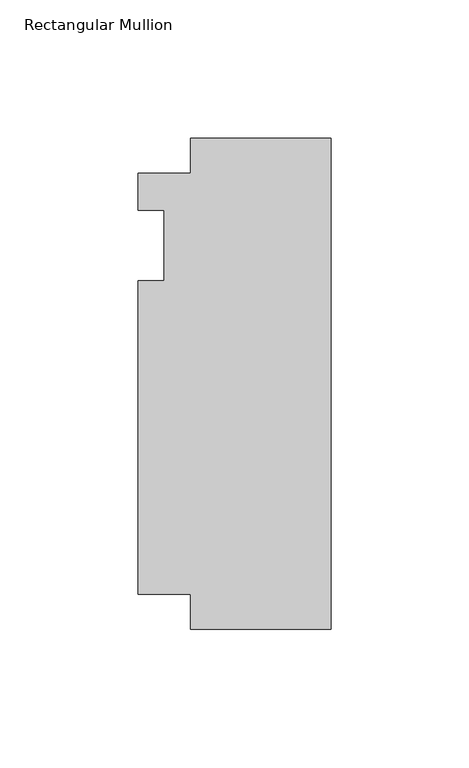
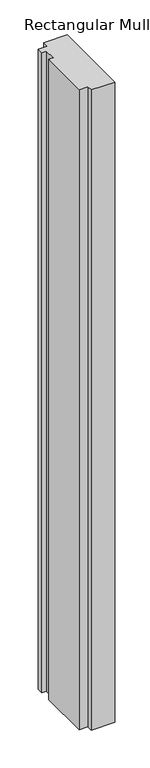
"""IFC4 building model written with IfcOpenShell, lengths in millimetres: member geometry, Rectangular Mullion."""

from ifc_helpers import new_model, si_unit, frame, origin, place, context, project, spatial, polyline, outline, extrude, source, transform, mapped, element, save


def rectangular_mullion_03180dc1(model_context):
    return source(origin(), model_context, "Body", "SweptSolid", [
        extrude(outline(polyline([(-50.8, 26.19375), (-50.8, 38.8943162), (0.0, 38.8943162), (0.0, -138.9068162), (-50.8, -138.9068162), (-50.8, -126.20625), (-69.85, -126.20625), (-69.85, -12.7), (-60.325, -12.7), (-60.325, 12.7), (-69.85, 12.7), (-69.85, 26.19375), (-50.8, 26.19375)])), frame((0.0, 0.0, -1460.5), z_axis=(0.0, 0.0, 1.0), x_axis=(1.0, 0.0, 0.0)), (0.0, 0.0, 1.0), 1460.5),
    ])


if __name__ == "__main__":
    model = new_model("IFC4")
    model_context = context("Model", 3, world=origin())
    ifc_project = project(units=[si_unit("LENGTHUNIT", "METRE", prefix="MILLI")], contexts=[model_context])
    site = spatial("IfcSite", under=ifc_project)
    building = spatial("IfcBuilding", under=site)
    placement = place(None, origin())
    rectangular_mullion_shape = rectangular_mullion_03180dc1(model_context)
    element("IfcMember", 1, ObjectType="Rectangular Mullion", at=placement, inside=building, context=model_context, shape_type="MappedRepresentation", body=[
        mapped(rectangular_mullion_shape, transform((0.0, 0.0, 0.0), x_axis=(1.0, 0.0, 0.0), y_axis=(0.0, 1.0, 0.0), z_axis=(0.0, 0.0, 1.0))),
    ])
    save(model, "model.ifc")
